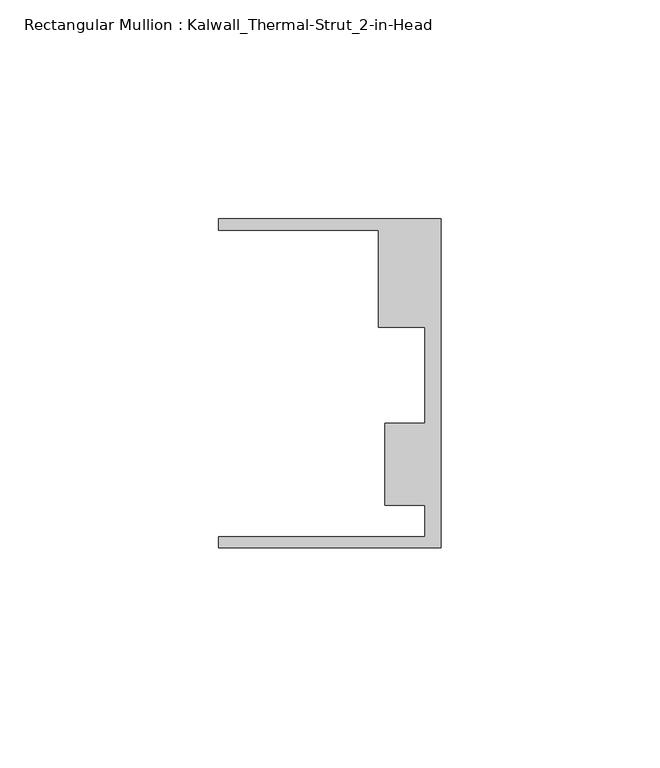
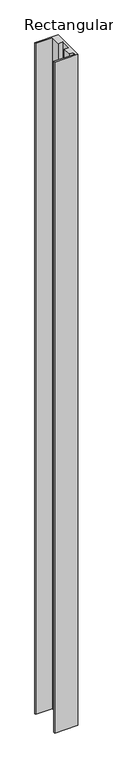
"""IFC4 building model written with IfcOpenShell, lengths in millimetres: member geometry, Rectangular Mullion : Kalwall_Thermal-Strut_2-in-Head."""

import ifcopenshell
import ifcopenshell.guid

model = None  # the IFC model being written
_history = None  # IfcOwnerHistory: only IFC2X3 demands one
_inside = {}  # id of a spatial element -> (the spatial element, [elements in it])
_under = {}  # id of a project, library or spatial element -> (it, [spatial elements below it])
_declared = {}  # id of a project -> (the project, [libraries it declares])
_typed = {}  # id of a type object -> (the type object, [elements of that type])
_made_of = {}  # id of a material, layer set ... -> (it, [elements and type objects made of it])


def new_model(schema):
    """Start an empty IFC model of exactly this schema.

    Asked for "IFC4X3", IfcOpenShell would pick the latest addendum, in which some entities
    have other attributes; the version numbers below select the first issue.
    IFC2X3 requires an IfcOwnerHistory on every rooted entity: one is made here for all.
    """
    global model, _history
    if schema == "IFC4X3":
        model = ifcopenshell.file(schema_version=(4, 3, 0, 0))
    else:
        model = ifcopenshell.file(schema=schema)
    _inside.clear()
    _under.clear()
    _declared.clear()
    _typed.clear()
    _made_of.clear()
    _history = None
    if model.schema == "IFC2X3":
        org = make("IfcOrganization", Name="unknown")
        user = make(
            "IfcPersonAndOrganization",
            ThePerson=make("IfcPerson", FamilyName="unknown"),
            TheOrganization=org,
        )
        app = make(
            "IfcApplication",
            ApplicationDeveloper=org,
            Version="unknown",
            ApplicationFullName="unknown",
            ApplicationIdentifier="unknown",
        )
        _history = make(
            "IfcOwnerHistory",
            OwningUser=user,
            OwningApplication=app,
            ChangeAction="ADDED",
            CreationDate=0,
        )
    return model


def make(cls, **values):
    """One entity of the class cls with the attributes given. An attribute that is None is left unset."""
    return model.create_entity(
        cls, **{name: value for name, value in values.items() if value is not None}
    )


def rooted(cls, **values):
    """An entity with a GlobalId (a new one), such as an element, a storey or a relation."""
    return make(cls, GlobalId=ifcopenshell.guid.new(), OwnerHistory=_history, **values)


def si_unit(unit_type, name, prefix=None):
    """IfcSIUnit, for example si_unit("LENGTHUNIT", "METRE", prefix="MILLI")."""
    return make("IfcSIUnit", UnitType=unit_type, Prefix=prefix, Name=name)


def assignment(units):
    """IfcUnitAssignment: the units of a project."""
    return None if units is None else make("IfcUnitAssignment", Units=units)


def point(xyz):
    """IfcCartesianPoint."""
    return None if xyz is None else make("IfcCartesianPoint", Coordinates=xyz)


def direction(xyz):
    """IfcDirection."""
    return None if xyz is None else make("IfcDirection", DirectionRatios=xyz)


def frame(location, z_axis=None, x_axis=None):
    """IfcAxis2Placement3D, a coordinate frame: its origin and axes. An axis left out is left unset."""
    return make(
        "IfcAxis2Placement3D",
        Location=point(location),
        Axis=direction(z_axis),
        RefDirection=direction(x_axis),
    )


def origin():
    """The frame at (0, 0, 0) with its axes left unset."""
    return frame((0.0, 0.0, 0.0))


def place(relative_to, where):
    """IfcLocalPlacement: puts the frame where relative to a parent placement (None: the world)."""
    return make(
        "IfcLocalPlacement", PlacementRelTo=relative_to, RelativePlacement=where
    )


def context(
    kind, dimensions, precision=None, world=None, true_north=None, identifier=None
):
    """IfcGeometricRepresentationContext, for example the 3D "Model" context."""
    return make(
        "IfcGeometricRepresentationContext",
        ContextIdentifier=identifier,
        ContextType=kind,
        CoordinateSpaceDimension=dimensions,
        Precision=precision,
        WorldCoordinateSystem=world,
        TrueNorth=true_north,
    )


def project(units=None, contexts=None):
    """IfcProject with its units and contexts."""
    return rooted(
        "IfcProject",
        Name="project",
        RepresentationContexts=contexts,
        UnitsInContext=assignment(units),
    )


def spatial(cls, under=None, at=None, **own):
    """A site, building, storey or space (cls), placed at a placement, below another one or the project."""
    s = rooted(cls, ObjectPlacement=at, **own)
    if under is not None:
        _under.setdefault(under.id(), (under, []))[1].append(s)
    return s


def polyline(points):
    """IfcPolyline through the points."""
    return make("IfcPolyline", Points=[point(p) for p in points])


def outline(outer, holes=None, kind="AREA"):
    """IfcArbitraryClosedProfileDef: a profile drawn as a closed curve; with holes, ...WithVoids."""
    if holes is None:
        return make("IfcArbitraryClosedProfileDef", ProfileType=kind, OuterCurve=outer)
    return make(
        "IfcArbitraryProfileDefWithVoids",
        ProfileType=kind,
        OuterCurve=outer,
        InnerCurves=holes,
    )


def extrude(swept, where, along, depth):
    """IfcExtrudedAreaSolid: the profile swept, set in the frame where, extruded along a direction by depth."""
    return make(
        "IfcExtrudedAreaSolid",
        SweptArea=swept,
        Position=where,
        ExtrudedDirection=direction(along),
        Depth=depth,
    )


def shape(context_of_items, identifier, shape_type, items):
    """IfcShapeRepresentation: the items that make up one representation, for example the "Body"."""
    return make(
        "IfcShapeRepresentation",
        ContextOfItems=context_of_items,
        RepresentationIdentifier=identifier,
        RepresentationType=shape_type,
        Items=items,
    )


def source(mapping_origin, context_of_items, identifier, shape_type, items):
    """IfcRepresentationMap: a shape defined once, which mapped items show again and again."""
    return make(
        "IfcRepresentationMap",
        MappingOrigin=mapping_origin,
        MappedRepresentation=shape(context_of_items, identifier, shape_type, items),
    )


def transform(
    local_origin,
    x_axis=None,
    y_axis=None,
    z_axis=None,
    scale=None,
    scale2=None,
    scale3=None,
    uniform=True,
):
    """IfcCartesianTransformationOperator3D, or its non-uniform kind. x_axis, y_axis, z_axis: its Axis1, 2, 3."""
    if uniform:
        return make(
            "IfcCartesianTransformationOperator3D",
            Axis1=direction(x_axis),
            Axis2=direction(y_axis),
            LocalOrigin=point(local_origin),
            Scale=scale,
            Axis3=direction(z_axis),
        )
    return make(
        "IfcCartesianTransformationOperator3DnonUniform",
        Axis1=direction(x_axis),
        Axis2=direction(y_axis),
        LocalOrigin=point(local_origin),
        Scale=scale,
        Axis3=direction(z_axis),
        Scale2=scale2,
        Scale3=scale3,
    )


def mapped(mapping_source, mapping_target):
    """IfcMappedItem: shows the shape of a source again, moved by a transform."""
    return make(
        "IfcMappedItem", MappingSource=mapping_source, MappingTarget=mapping_target
    )


def made_of(thing, what):
    """Note that an element or type object is made of a material, layer set ...; save() writes the relation."""
    if what is not None:
        _made_of.setdefault(what.id(), (what, []))[1].append(thing)
    return thing


def element(
    cls,
    number,
    at=None,
    inside=None,
    cuts=None,
    type_object=None,
    material=None,
    context=None,
    identifier="Body",
    shape_type=None,
    held_by="IfcProductDefinitionShape",
    body=None,
    shapes=None,
    **own,
):
    """One element of the class cls, such as IfcWall. Its Tag is "e" and its number.

    at: its placement. inside: the storey or other place that contains it. cuts: it is an
    opening in that element (IfcRelVoidsElement). A single representation is given by context,
    identifier, shape_type and body (its items); several are given by shapes. held_by: the class
    of the entity that holds the representations. save() writes the other relations.
    """
    e = rooted(cls, Tag="e%d" % number, ObjectPlacement=at, **own)
    if body is not None:
        shapes = [shape(context, identifier, shape_type, body)]
    if shapes is not None:
        e.Representation = make(held_by, Representations=shapes)
    if inside is not None:
        _inside.setdefault(inside.id(), (inside, []))[1].append(e)
    if cuts is not None:
        rooted(
            "IfcRelVoidsElement", RelatingBuildingElement=cuts, RelatedOpeningElement=e
        )
    if type_object is not None:
        _typed.setdefault(type_object.id(), (type_object, []))[1].append(e)
    return made_of(e, material)


def aggregate(whole, parts):
    """IfcRelAggregates: a whole, such as a stair, and the parts it consists of."""
    return rooted("IfcRelAggregates", RelatingObject=whole, RelatedObjects=parts)


def save(model, path):
    """Write the relations noted so far, then the file.

    IfcRelAggregates (storeys below a building ...), IfcRelContainedInSpatialStructure (elements
    in a storey), IfcRelDefinesByType, IfcRelAssociatesMaterial and IfcRelDeclares: one each for
    every whole, place, type object, material and project.
    """
    for whole, parts in _under.values():
        aggregate(whole, parts)
    for where, things in _inside.values():
        rooted(
            "IfcRelContainedInSpatialStructure",
            RelatedElements=things,
            RelatingStructure=where,
        )
    for kind, things in _typed.values():
        rooted("IfcRelDefinesByType", RelatedObjects=things, RelatingType=kind)
    for what, things in _made_of.values():
        rooted("IfcRelAssociatesMaterial", RelatedObjects=things, RelatingMaterial=what)
    for by, libraries in _declared.values():
        rooted("IfcRelDeclares", RelatingContext=by, RelatedDefinitions=libraries)
    model.write(path)


def rectangular_mullion_kalwall_thermal_strut_2_in_head_78ed18ce(model_context):
    return source(origin(), model_context, "Body", "SweptSolid", [
        extrude(outline(polyline([(0.0, -37.5776386), (-50.8, -37.5776386), (-50.8, -35.0376386), (-3.7084, -35.0376386), (-3.7084, -27.8888568), (-12.8272539, -27.8888568), (-12.8272539, -9.1879886), (-3.7084, -9.1879886), (-3.7084, 12.7373614), (-14.2875, 12.7373614), (-14.2875, 34.9623614), (-50.8, 34.9623614), (-50.8, 37.5023614), (0.0, 37.5023614), (0.0, -37.5776386)])), frame((0.0, 0.0, -1560.5770003), z_axis=(0.0, 0.0, 1.0), x_axis=(1.0, 0.0, 0.0)), (0.0, 0.0, 1.0), 1560.5770003),
    ])


if __name__ == "__main__":
    model = new_model("IFC4")
    model_context = context("Model", 3, world=origin())
    ifc_project = project(units=[si_unit("LENGTHUNIT", "METRE", prefix="MILLI")], contexts=[model_context])
    site = spatial("IfcSite", under=ifc_project)
    building = spatial("IfcBuilding", under=site)
    placement = place(None, origin())
    rectangular_mullion_kalwall_thermal_strut_2_in_head_shape = rectangular_mullion_kalwall_thermal_strut_2_in_head_78ed18ce(model_context)
    element("IfcMember", 1, ObjectType="Rectangular Mullion : Kalwall_Thermal-Strut_2-in-Head", at=placement, inside=building, context=model_context, shape_type="MappedRepresentation", body=[
        mapped(rectangular_mullion_kalwall_thermal_strut_2_in_head_shape, transform((0.0, 0.0, 0.0), x_axis=(1.0, 0.0, 0.0), y_axis=(0.0, 1.0, 0.0), z_axis=(0.0, 0.0, 1.0))),
    ])
    save(model, "model.ifc")
